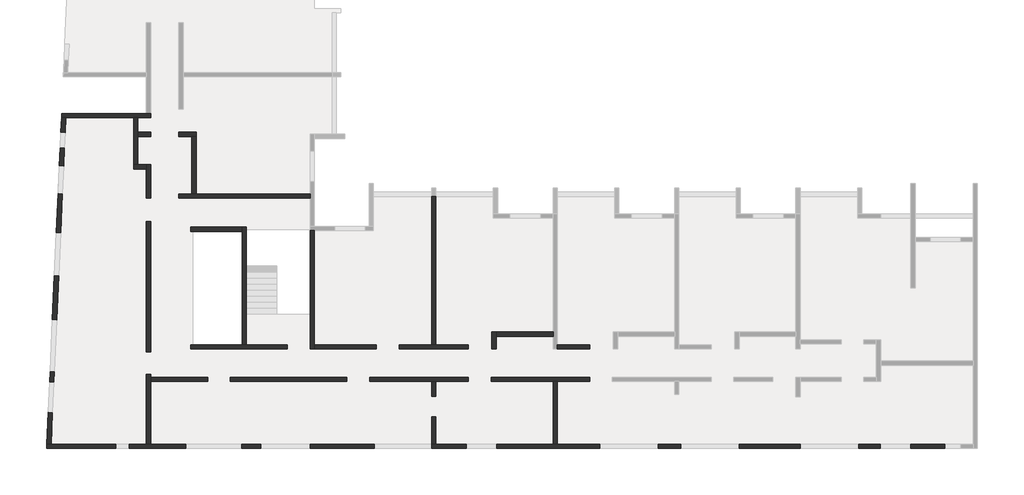
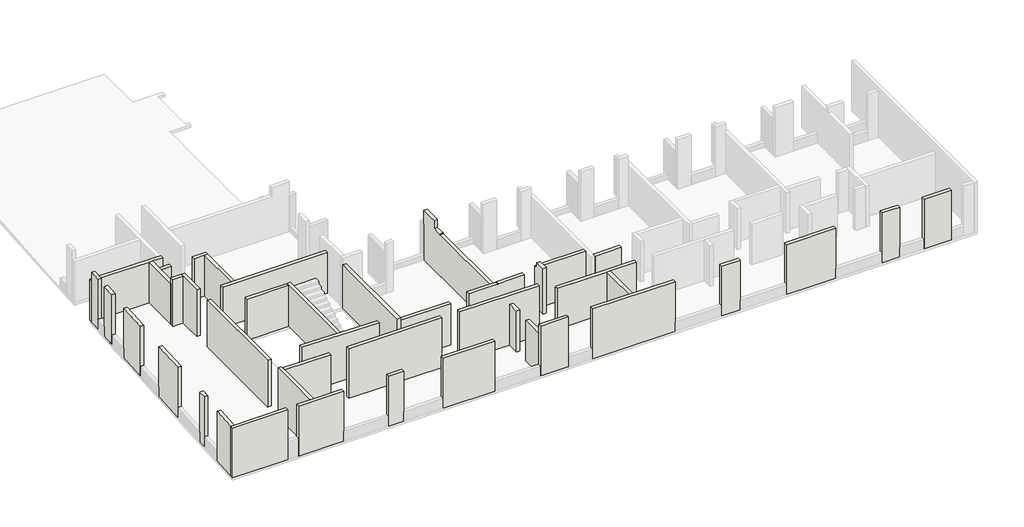
# One storey, part 1 of 4: 43 walls.
"""IFC4 building model written with IfcOpenShell, lengths in millimetres."""

from ifc_helpers import new_model, si_unit, frame, origin, place, context, project, spatial, polyline, outline, extrude, faceted_brep, element, save

model = new_model("IFC4")

# Units and contexts
model_context = context("Model", 3, world=origin())
ifc_project = project(units=[si_unit("LENGTHUNIT", "METRE", prefix="MILLI")], contexts=[model_context])

# Site, building, storey
site = spatial("IfcSite", under=ifc_project)
building = spatial("IfcBuilding", under=site)
storey = spatial("IfcBuildingStorey", under=building, Elevation=19880.0)

# Walls
placement = place(None, origin())
element("IfcWall", 1, ObjectType="MHA20", at=placement, inside=storey, context=model_context, shape_type="SweptSolid", body=[
    extrude(outline(polyline([(-17685.6912908, -13279.0672499), (-17685.6912908, -16219.0672499), (-17885.6912908, -16219.0672499), (-17885.6912908, -13279.0672499), (-17685.6912908, -13279.0672499)])), frame((0.0, 0.0, 19880.0), z_axis=(0.0, 0.0, 1.0), x_axis=(1.0, 0.0, 0.0)), (0.0, 0.0, 1.0), 2530.0),
])
element("IfcWall", 2, ObjectType="MHA20", at=placement, inside=storey, context=model_context, shape_type="SweptSolid", body=[
    extrude(outline(polyline([(-23375.6912908, -14929.0672499), (-23375.6912908, -16219.0672499), (-23575.6912908, -16219.0672499), (-23575.6912908, -14929.0672499), (-23375.6912908, -14929.0672499)])), frame((0.0, 0.0, 19880.0), z_axis=(0.0, 0.0, 1.0), x_axis=(1.0, 0.0, 0.0)), (0.0, 0.0, 1.0), 2530.0),
])
element("IfcWall", 3, ObjectType="MHA20", at=placement, inside=storey, context=model_context, shape_type="Brep", body=[
    faceted_brep([(-23575.6912908, -4599.0672499, 19880.0), (-23575.6912908, -11559.0672499, 19880.0), (-23575.6912908, -11559.0672499, 22410.0), (-23575.6912908, -6204.0672499, 22410.0), (-23575.6912908, -6204.0672499, 22460.0), (-23575.6912908, -6004.0672499, 22460.0), (-23575.6912908, -5619.0672499, 22460.0), (-23575.6912908, -5619.0672499, 22945.0), (-23575.6912908, -4599.0672499, 22954.4444444), (-23575.6912908, -4599.0672499, 22110.0), (-23375.6912908, -4599.0672499, 19880.0), (-23375.6912908, -4599.0672499, 22110.0), (-23375.6912908, -4599.0672499, 22954.4444444), (-23375.6912908, -5619.0672499, 22945.0), (-23375.6912908, -5619.0672499, 22795.0), (-23375.6912908, -5619.0672499, 22460.0), (-23375.6912908, -6004.0672499, 22460.0), (-23375.6912908, -6204.0672499, 22460.0), (-23375.6912908, -6204.0672499, 22410.0), (-23375.6912908, -11559.0672499, 22410.0), (-23375.6912908, -11559.0672499, 19880.0)], [[[0, 1, 2, 3, 4, 5, 6, 7, 8, 9]], [[10, 11, 12, 13, 14, 15, 16, 17, 18, 19, 20]], [[2, 1, 20, 19]], [[1, 0, 10, 20]], [[3, 2, 19, 18]], [[0, 9, 8, 12, 11, 10]], [[7, 6, 15, 14, 13]], [[8, 7, 13, 12]], [[4, 3, 18, 17]], [[6, 5, 4, 17, 16, 15]]]),
])
element("IfcWall", 4, ObjectType="MHA20", at=placement, inside=storey, context=model_context, shape_type="Brep", body=[
    faceted_brep([(-36735.6912908, -16219.0672499, 19880.0), (-36735.6912908, -13279.0672499, 19880.0), (-36735.6912908, -13079.0672499, 19880.0), (-36735.6912908, -12949.0672499, 19880.0), (-36735.6912908, -12949.0672499, 22960.0), (-36735.6912908, -13079.0672499, 22960.0), (-36735.6912908, -13279.0672499, 22960.0), (-36735.6912908, -16219.0672499, 22960.0), (-36935.6912908, -16219.0672499, 19880.0), (-36935.6912908, -16219.0672499, 22960.0), (-36935.6912908, -12949.0672499, 22960.0), (-36935.6912908, -12949.0672499, 19880.0)], [[[0, 1, 2, 3, 4, 5, 6, 7]], [[8, 9, 10, 11]], [[3, 2, 1, 0, 8, 11]], [[4, 3, 11, 10]], [[7, 6, 5, 4, 10, 9]], [[0, 7, 9, 8]]]),
])
element("IfcWall", 5, ObjectType="MHA20", at=placement, inside=storey, context=model_context, shape_type="SweptSolid", body=[
    extrude(outline(polyline([(-32995.6912908, -13079.0672499), (-27540.6912908, -13079.0672499), (-27540.6912908, -13279.0672499), (-32995.6912908, -13279.0672499), (-32995.6912908, -13079.0672499)])), frame((0.0, 0.0, 19880.0), z_axis=(0.0, 0.0, 1.0), x_axis=(1.0, 0.0, 0.0)), (0.0, 0.0, 1.0), 3080.0),
])
element("IfcWall", 6, ObjectType="MHA20", at=placement, inside=storey, context=model_context, shape_type="Brep", body=[
    faceted_brep([(-20550.6912908, -11759.0672499, 19880.0), (-20550.6912908, -11159.0672499, 19880.0), (-20550.6912908, -10959.0672499, 19880.0), (-20550.6912908, -10959.0672499, 22410.0), (-20550.6912908, -11159.0672499, 22410.0), (-20550.6912908, -11159.0672499, 22710.0), (-20550.6912908, -11759.0672499, 22710.0), (-20750.6912908, -11759.0672499, 19880.0), (-20750.6912908, -11759.0672499, 22710.0), (-20750.6912908, -11159.0672499, 22710.0), (-20750.6912908, -11159.0672499, 22410.0), (-20750.6912908, -10959.0672499, 22410.0), (-20750.6912908, -10959.0672499, 19880.0)], [[[0, 1, 2, 3, 4, 5, 6]], [[7, 8, 9, 10, 11, 12]], [[2, 1, 0, 7, 12]], [[6, 5, 9, 8]], [[0, 6, 8, 7]], [[10, 4, 3, 11]], [[3, 2, 12, 11]], [[5, 4, 10, 9]]]),
])
element("IfcWall", 7, ObjectType="MHA20", at=placement, inside=storey, context=model_context, shape_type="SweptSolid", body=[
    extrude(outline(polyline([(-17885.6912908, -11159.0672499), (-20550.6912908, -11159.0672499), (-20550.6912908, -10959.0672499), (-17885.6912908, -10959.0672499), (-17885.6912908, -11159.0672499)])), frame((0.0, 0.0, 19880.0), z_axis=(0.0, 0.0, 1.0), x_axis=(1.0, 0.0, 0.0)), (0.0, 0.0, 1.0), 2530.0),
])
element("IfcWall", 8, ObjectType="MHA20", at=placement, inside=storey, context=model_context, shape_type="SweptSolid", body=[
    extrude(outline(polyline([(-17685.6912908, -11559.0672499), (-16160.6912908, -11559.0672499), (-16160.6912908, -11759.0672499), (-17685.6912908, -11759.0672499), (-17685.6912908, -11559.0672499)])), frame((0.0, 0.0, 19880.0), z_axis=(0.0, 0.0, 1.0), x_axis=(1.0, 0.0, 0.0)), (0.0, 0.0, 1.0), 2530.0),
])
element("IfcWall", 9, ObjectType="MHA20", at=placement, inside=storey, context=model_context, shape_type="Brep", body=[
    faceted_brep([(-21850.6912908, -11559.0672499, 19880.0), (-23375.6912908, -11559.0672499, 19880.0), (-23575.6912908, -11559.0672499, 19880.0), (-25095.6912908, -11559.0672499, 19880.0), (-25095.6912908, -11559.0672499, 22673.4), (-23675.6899802, -11559.0672499, 22658.3234429), (-23375.6912908, -11559.0672499, 22655.1382716), (-23375.6912908, -11559.0672499, 22658.2), (-23375.6912908, -11559.0672499, 22684.6884615), (-21850.6912908, -11559.0672499, 22699.0), (-21850.6912908, -11759.0672499, 19880.0), (-21850.6912908, -11759.0672499, 22699.0), (-23375.6912908, -11759.0672499, 22684.6884615), (-23375.6912908, -11759.0672499, 22658.2), (-23375.6912908, -11759.0672499, 22655.1382716), (-23675.6899802, -11759.0672499, 22658.3234429), (-25095.6912908, -11759.0672499, 22673.4), (-25095.6912908, -11759.0672499, 19880.0)], [[[0, 1, 2, 3, 4, 5, 6, 7, 8, 9]], [[10, 11, 12, 13, 14, 15, 16, 17]], [[3, 2, 1, 0, 10, 17]], [[4, 3, 17, 16]], [[0, 9, 11, 10]], [[6, 5, 4, 16, 15, 14]], [[9, 8, 12, 11]], [[8, 7, 6, 14, 13, 12]]]),
])
element("IfcWall", 10, ObjectType="MHA20", at=placement, inside=storey, context=model_context, shape_type="Brep", body=[
    faceted_brep([(-29065.6912908, -11759.0672499, 19880.0), (-29065.6912908, -11559.0672499, 19880.0), (-29065.6912908, -6204.0672499, 19880.0), (-29065.6912908, -6204.0672499, 22563.0925002), (-29065.6912908, -11759.0672499, 22563.0925002), (-29065.6912908, -11759.0672499, 22410.0), (-29265.6912908, -11759.0672499, 19880.0), (-29265.6912908, -11759.0672499, 22565.0925002), (-29265.6912908, -6204.0672499, 22565.0925002), (-29265.6912908, -6204.0672499, 19880.0)], [[[0, 1, 2, 3, 4, 5]], [[6, 7, 8, 9]], [[2, 1, 0, 6, 9]], [[0, 5, 4, 7, 6]], [[3, 2, 9, 8]], [[4, 3, 8, 7]]]),
])
element("IfcWall", 11, ObjectType="MHA20", at=placement, inside=storey, context=model_context, shape_type="Brep", body=[
    faceted_brep([(-35405.6912908, -4689.0672499, 19880.0), (-29265.6912908, -4689.0672499, 19880.0), (-29265.6912908, -4689.0672499, 22410.0), (-35405.6912908, -4689.0672499, 22410.0), (-35405.6912908, -4489.0672499, 19880.0), (-35405.6912908, -4489.0672499, 22410.0), (-34805.6912908, -4489.0672499, 22410.0), (-34605.6912908, -4489.0672499, 22410.0), (-29265.6912908, -4489.0672499, 22410.0), (-29265.6912908, -4489.0672499, 19880.0), (-34605.6912908, -4489.0672499, 19880.0), (-34805.6912908, -4489.0672499, 19880.0)], [[[0, 1, 2, 3]], [[4, 5, 6, 7, 8, 9, 10, 11]], [[1, 0, 4, 11, 10, 9]], [[3, 2, 8, 7, 6, 5]], [[0, 3, 5, 4]], [[2, 1, 9, 8]]]),
])
element("IfcWall", 12, ObjectType="MHA20", at=placement, inside=storey, context=model_context, shape_type="SweptSolid", body=[
    extrude(outline(polyline([(-26155.6912908, -11759.0672499), (-29065.6912908, -11759.0672499), (-29065.6912908, -11559.0672499), (-26155.6912908, -11559.0672499), (-26155.6912908, -11759.0672499)])), frame((0.0, 0.0, 19880.0), z_axis=(0.0, 0.0, 1.0), x_axis=(1.0, 0.0, 0.0)), (0.0, 0.0, 1.0), 2530.0),
])
element("IfcWall", 13, ObjectType="MHA20", at=placement, inside=storey, context=model_context, shape_type="Brep", body=[
    faceted_brep([(-32245.6912908, -11559.0672499, 19880.0), (-32245.6912908, -6044.0672499, 19880.0), (-32245.6912908, -6044.0672499, 22410.0), (-32245.6912908, -11559.0672499, 22410.0), (-32445.6912908, -11559.0672499, 19880.0), (-32445.6912908, -11559.0672499, 22410.0), (-32445.6912908, -6244.0672499, 22410.0), (-32445.6912908, -6044.0672499, 22410.0), (-32445.6912908, -6044.0672499, 19880.0), (-32445.6912908, -6244.0672499, 19880.0)], [[[0, 1, 2, 3]], [[4, 5, 6, 7, 8, 9]], [[1, 0, 4, 9, 8]], [[3, 2, 7, 6, 5]], [[0, 3, 5, 4]], [[2, 1, 8, 7]]]),
])
element("IfcWall", 14, ObjectType="MHA20", at=placement, inside=storey, context=model_context, shape_type="Brep", body=[
    faceted_brep([(-34865.6912908, -11759.0672499, 19880.0), (-30340.6912908, -11759.0672499, 19880.0), (-30340.6912908, -11759.0672499, 22725.85), (-34865.6912908, -11759.0672499, 22771.1), (-34865.6912908, -11559.0672499, 19880.0), (-34865.6912908, -11559.0672499, 22771.1), (-30340.6912908, -11559.0672499, 22725.85), (-30340.6912908, -11559.0672499, 19880.0), (-32245.6912908, -11559.0672499, 19880.0), (-32445.6912908, -11559.0672499, 19880.0)], [[[0, 1, 2, 3]], [[4, 5, 6, 7, 8, 9]], [[1, 0, 4, 9, 8, 7]], [[2, 1, 7, 6]], [[0, 3, 5, 4]], [[3, 2, 6, 5]]]),
])
element("IfcWall", 15, ObjectType="MHA20", at=placement, inside=storey, context=model_context, shape_type="SweptSolid", body=[
    extrude(outline(polyline([(-32445.6912908, -6244.0672499), (-34865.6912908, -6244.0672499), (-34865.6912908, -6044.0672499), (-32445.6912908, -6044.0672499), (-32445.6912908, -6244.0672499)])), frame((0.0, 0.0, 19880.0), z_axis=(0.0, 0.0, 1.0), x_axis=(1.0, 0.0, 0.0)), (0.0, 0.0, 1.0), 2530.0),
])
element("IfcWall", 16, ObjectType="MHA20", at=placement, inside=storey, context=model_context, shape_type="SweptSolid", body=[
    extrude(outline(polyline([(-36735.6912908, -5774.0672499), (-36735.6912908, -11889.0672499), (-36935.6912908, -11889.0672499), (-36935.6912908, -5774.0672499), (-36735.6912908, -5774.0672499)])), frame((0.0, 0.0, 19880.0), z_axis=(0.0, 0.0, 1.0), x_axis=(1.0, 0.0, 0.0)), (0.0, 0.0, 1.0), 2890.0),
])
element("IfcWall", 17, ObjectType="MHA20", at=placement, inside=storey, context=model_context, shape_type="Brep", body=[
    faceted_brep([(-41609.0481243, -16419.0672499, 19880.0), (-38375.6912908, -16419.0672499, 19880.0), (-38375.6912908, -16419.0672499, 22960.0), (-41609.0481243, -16419.0672499, 22960.0), (-41599.9751419, -16219.0672499, 19880.0), (-41599.9751419, -16219.0672499, 22960.0), (-41399.7694501, -16219.0672499, 22960.0), (-38375.6912908, -16219.0672499, 22960.0), (-38375.6912908, -16219.0672499, 19880.0), (-41399.7694501, -16219.0672499, 19880.0)], [[[0, 1, 2, 3]], [[4, 5, 6, 7, 8, 9]], [[1, 0, 4, 9, 8]], [[2, 1, 8, 7]], [[3, 2, 7, 6, 5]], [[0, 3, 5, 4]]]),
])
element("IfcWall", 18, ObjectType="MHA20", at=placement, inside=storey, context=model_context, shape_type="Brep", body=[
    faceted_brep([(-35405.6912908, -1794.0672499, 19880.0), (-34805.6912908, -1794.0672499, 19880.0), (-34605.6912908, -1794.0672499, 19880.0), (-34605.6912908, -1794.0672499, 22410.0), (-34805.6912908, -1794.0672499, 22410.0), (-35405.6912908, -1794.0672499, 22410.0), (-35405.6912908, -1594.0672499, 19880.0), (-35405.6912908, -1594.0672499, 22410.0), (-34605.6912908, -1594.0672499, 22410.0), (-34605.6912908, -1594.0672499, 19880.0)], [[[0, 1, 2, 3, 4, 5]], [[6, 7, 8, 9]], [[2, 1, 0, 6, 9]], [[5, 4, 3, 8, 7]], [[0, 5, 7, 6]], [[3, 2, 9, 8]]]),
])
element("IfcWall", 19, ObjectType="MHA20", at=placement, inside=storey, context=model_context, shape_type="SweptSolid", body=[
    extrude(outline(polyline([(-34605.6912908, -1794.0672499), (-34605.6912908, -4489.0672499), (-34805.6912908, -4489.0672499), (-34805.6912908, -1794.0672499), (-34605.6912908, -1794.0672499)])), frame((0.0, 0.0, 19880.0), z_axis=(0.0, 0.0, 1.0), x_axis=(1.0, 0.0, 0.0)), (0.0, 0.0, 1.0), 2530.0),
])
element("IfcWall", 20, ObjectType="MHA20", at=placement, inside=storey, context=model_context, shape_type="Brep", body=[
    faceted_brep([(-37335.6912908, -3119.0672499, 19880.0), (-37335.6912908, -1794.0672499, 19880.0), (-37335.6912908, -1594.0672499, 19880.0), (-37335.6912908, -914.0672499, 19880.0), (-37335.6912908, -914.0672499, 22410.0), (-37335.6912908, -1594.0672499, 22410.0), (-37335.6912908, -1794.0672499, 22410.0), (-37335.6912908, -3119.0672499, 22410.0), (-37535.6912908, -3119.0672499, 19880.0), (-37535.6912908, -3119.0672499, 22410.0), (-37535.6912908, -914.0672499, 22410.0), (-37535.6912908, -914.0672499, 19880.0)], [[[0, 1, 2, 3, 4, 5, 6, 7]], [[8, 9, 10, 11]], [[3, 2, 1, 0, 8, 11]], [[7, 6, 5, 4, 10, 9]], [[0, 7, 9, 8]], [[4, 3, 11, 10]]]),
])
element("IfcWall", 21, ObjectType="MHA20", at=placement, inside=storey, context=model_context, shape_type="SweptSolid", body=[
    extrude(outline(polyline([(-37335.6912908, -1594.0672499), (-36735.6912908, -1594.0672499), (-36735.6912908, -1794.0672499), (-37335.6912908, -1794.0672499), (-37335.6912908, -1594.0672499)])), frame((0.0, 0.0, 19880.0), z_axis=(0.0, 0.0, 1.0), x_axis=(1.0, 0.0, 0.0)), (0.0, 0.0, 1.0), 2530.0),
])
element("IfcWall", 22, ObjectType="MHA20", at=placement, inside=storey, context=model_context, shape_type="Brep", body=[
    faceted_brep([(-37535.6912908, -3319.0672499, 19880.0), (-36935.6912908, -3319.0672499, 19880.0), (-36935.6912908, -3319.0672499, 22770.0), (-37535.6912908, -3319.0672499, 22770.0), (-37535.6912908, -3119.0672499, 19880.0), (-37535.6912908, -3119.0672499, 22410.0), (-37535.6912908, -3119.0672499, 22770.0), (-36935.6912908, -3119.0672499, 22770.0), (-36935.6912908, -3119.0672499, 19880.0), (-37335.6912908, -3119.0672499, 19880.0)], [[[0, 1, 2, 3]], [[4, 5, 6, 7, 8, 9]], [[1, 0, 4, 9, 8]], [[3, 2, 7, 6]], [[0, 3, 6, 5, 4]], [[2, 1, 8, 7]]]),
])
element("IfcWall", 23, ObjectType="MHA20", at=placement, inside=storey, context=model_context, shape_type="SweptSolid", body=[
    extrude(outline(polyline([(-23375.6912908, -13279.0672499), (-23375.6912908, -13979.0672499), (-23575.6912908, -13979.0672499), (-23575.6912908, -13279.0672499), (-23375.6912908, -13279.0672499)])), frame((0.0, 0.0, 19880.0), z_axis=(0.0, 0.0, 1.0), x_axis=(1.0, 0.0, 0.0)), (0.0, 0.0, 1.0), 2530.0),
])
element("IfcWall", 24, ObjectType="MHA20", at=placement, inside=storey, context=model_context, shape_type="Brep", body=[
    faceted_brep([(464.3087092, -16219.0672499, 19880.0), (-1125.6912908, -16219.0672499, 19880.0), (-1125.6912908, -16219.0672499, 20480.0), (-1125.6912908, -16219.0672499, 22410.0), (-1125.6912908, -16219.0672499, 22960.0), (464.3087092, -16219.0672499, 22960.0), (464.3087092, -16419.0672499, 19880.0), (464.3087092, -16419.0672499, 22960.0), (-1125.6912908, -16419.0672499, 22960.0), (-1125.6912908, -16419.0672499, 22410.0), (-1125.6912908, -16419.0672499, 20480.0), (-1125.6912908, -16419.0672499, 19880.0)], [[[0, 1, 2, 3, 4, 5]], [[6, 7, 8, 9, 10, 11]], [[1, 0, 6, 11]], [[4, 3, 2, 1, 11, 10, 9, 8]], [[5, 4, 8, 7]], [[0, 5, 7, 6]]]),
])
element("IfcWall", 25, ObjectType="MHA20", at=placement, inside=storey, context=model_context, shape_type="Brep", body=[
    faceted_brep([(-2555.6912908, -16219.0672499, 19880.0), (-3570.6912908, -16219.0672499, 19880.0), (-3570.6912908, -16219.0672499, 20480.0), (-3570.6912908, -16219.0672499, 22410.0), (-3570.6912908, -16219.0672499, 22960.0), (-2555.6912908, -16219.0672499, 22960.0), (-2555.6912908, -16219.0672499, 22410.0), (-2555.6912908, -16219.0672499, 20480.0), (-2555.6912908, -16419.0672499, 19880.0), (-2555.6912908, -16419.0672499, 20480.0), (-2555.6912908, -16419.0672499, 22410.0), (-2555.6912908, -16419.0672499, 22960.0), (-3570.6912908, -16419.0672499, 22960.0), (-3570.6912908, -16419.0672499, 22410.0), (-3570.6912908, -16419.0672499, 20480.0), (-3570.6912908, -16419.0672499, 19880.0)], [[[0, 1, 2, 3, 4, 5, 6, 7]], [[8, 9, 10, 11, 12, 13, 14, 15]], [[1, 0, 8, 15]], [[4, 3, 2, 1, 15, 14, 13, 12]], [[5, 4, 12, 11]], [[0, 7, 6, 5, 11, 10, 9, 8]]]),
])
element("IfcWall", 26, ObjectType="MHA20", at=placement, inside=storey, context=model_context, shape_type="Brep", body=[
    faceted_brep([(-6305.6912908, -16219.0672499, 19880.0), (-9155.6912908, -16219.0672499, 19880.0), (-9155.6912908, -16219.0672499, 20480.0), (-9155.6912908, -16219.0672499, 22410.0), (-9155.6912908, -16219.0672499, 22960.0), (-6305.6912908, -16219.0672499, 22960.0), (-6305.6912908, -16219.0672499, 22410.0), (-6305.6912908, -16219.0672499, 20480.0), (-6305.6912908, -16419.0672499, 19880.0), (-6305.6912908, -16419.0672499, 20480.0), (-6305.6912908, -16419.0672499, 22410.0), (-6305.6912908, -16419.0672499, 22960.0), (-9155.6912908, -16419.0672499, 22960.0), (-9155.6912908, -16419.0672499, 22410.0), (-9155.6912908, -16419.0672499, 20480.0), (-9155.6912908, -16419.0672499, 19880.0)], [[[0, 1, 2, 3, 4, 5, 6, 7]], [[8, 9, 10, 11, 12, 13, 14, 15]], [[1, 0, 8, 15]], [[4, 3, 2, 1, 15, 14, 13, 12]], [[5, 4, 12, 11]], [[0, 7, 6, 5, 11, 10, 9, 8]]]),
])
element("IfcWall", 27, ObjectType="MHA20", at=placement, inside=storey, context=model_context, shape_type="Brep", body=[
    faceted_brep([(-20515.6912908, -16419.0672499, 19880.0), (-15705.6912908, -16419.0672499, 19880.0), (-15705.6912908, -16419.0672499, 20480.0), (-15705.6912908, -16419.0672499, 22410.0), (-15705.6912908, -16419.0672499, 22960.0), (-20515.6912908, -16419.0672499, 22960.0), (-20515.6912908, -16219.0672499, 19880.0), (-20515.6912908, -16219.0672499, 22960.0), (-15705.6912908, -16219.0672499, 22960.0), (-15705.6912908, -16219.0672499, 22410.0), (-15705.6912908, -16219.0672499, 20480.0), (-15705.6912908, -16219.0672499, 19880.0), (-17685.6912908, -16219.0672499, 19880.0), (-17885.6912908, -16219.0672499, 19880.0)], [[[0, 1, 2, 3, 4, 5]], [[6, 7, 8, 9, 10, 11, 12, 13]], [[1, 0, 6, 13, 12, 11]], [[4, 3, 2, 1, 11, 10, 9, 8]], [[5, 4, 8, 7]], [[0, 5, 7, 6]]]),
])
element("IfcWall", 28, ObjectType="MHA20", at=placement, inside=storey, context=model_context, shape_type="Brep", body=[
    faceted_brep([(-37735.6912908, -16419.0672499, 19880.0), (-35095.6912908, -16419.0672499, 19880.0), (-35095.6912908, -16419.0672499, 20480.0), (-35095.6912908, -16419.0672499, 22410.0), (-35095.6912908, -16419.0672499, 22960.0), (-37735.6912908, -16419.0672499, 22960.0), (-37735.6912908, -16219.0672499, 19880.0), (-37735.6912908, -16219.0672499, 22960.0), (-36935.6912908, -16219.0672499, 22960.0), (-36735.6912908, -16219.0672499, 22960.0), (-35095.6912908, -16219.0672499, 22960.0), (-35095.6912908, -16219.0672499, 22410.0), (-35095.6912908, -16219.0672499, 20480.0), (-35095.6912908, -16219.0672499, 19880.0), (-36735.6912908, -16219.0672499, 19880.0), (-36935.6912908, -16219.0672499, 19880.0)], [[[0, 1, 2, 3, 4, 5]], [[6, 7, 8, 9, 10, 11, 12, 13, 14, 15]], [[1, 0, 6, 15, 14, 13]], [[4, 3, 2, 1, 13, 12, 11, 10]], [[5, 4, 10, 9, 8, 7]], [[0, 5, 7, 6]]]),
])
element("IfcWall", 29, ObjectType="MHA20", at=placement, inside=storey, context=model_context, shape_type="Brep", body=[
    faceted_brep([(-41532.7054566, -14736.2100849, 19880.0), (-41599.9751419, -16219.0672499, 19880.0), (-41599.9751419, -16219.0672499, 22960.0), (-41532.7054566, -14736.2100849, 22960.0), (-41532.7054566, -14736.2100849, 22410.0), (-41532.7054566, -14736.2100849, 20480.0), (-41332.9109371, -14745.2737458, 19880.0), (-41332.9109371, -14745.2737458, 20480.0), (-41332.9109371, -14745.2737458, 22410.0), (-41332.9109371, -14745.2737458, 22960.0), (-41399.7694501, -16219.0672499, 22960.0), (-41399.7694501, -16219.0672499, 19880.0)], [[[0, 1, 2, 3, 4, 5]], [[6, 7, 8, 9, 10, 11]], [[1, 0, 6, 11]], [[3, 2, 10, 9]], [[0, 5, 4, 3, 9, 8, 7, 6]], [[2, 1, 11, 10]]]),
])
element("IfcWall", 30, ObjectType="MHA20", at=placement, inside=storey, context=model_context, shape_type="Brep", body=[
    faceted_brep([(-41267.6525789, -13306.7532049, 19880.0), (-41246.1263843, -12832.2412209, 19880.0), (-41246.1263843, -12832.2412209, 20480.0), (-41246.1263843, -12832.2412209, 22410.0), (-41246.1263843, -12832.2412209, 22960.0), (-41267.6525789, -13306.7532049, 22960.0), (-41267.6525789, -13306.7532049, 22410.0), (-41267.6525789, -13306.7532049, 20480.0), (-41467.4470985, -13297.689544, 19880.0), (-41467.4470985, -13297.689544, 20480.0), (-41467.4470985, -13297.689544, 22410.0), (-41467.4470985, -13297.689544, 22960.0), (-41445.9209039, -12823.17756, 22960.0), (-41445.9209039, -12823.17756, 22410.0), (-41445.9209039, -12823.17756, 20480.0), (-41445.9209039, -12823.17756, 19880.0)], [[[0, 1, 2, 3, 4, 5, 6, 7]], [[8, 9, 10, 11, 12, 13, 14, 15]], [[1, 0, 8, 15]], [[4, 3, 2, 1, 15, 14, 13, 12]], [[5, 4, 12, 11]], [[0, 7, 6, 5, 11, 10, 9, 8]]]),
])
element("IfcWall", 31, ObjectType="MHA20", at=placement, inside=storey, context=model_context, shape_type="Brep", body=[
    faceted_brep([(-32455.6912908, -16419.0672499, 19880.0), (-31585.6912908, -16419.0672499, 19880.0), (-31585.6912908, -16419.0672499, 20480.0), (-31585.6912908, -16419.0672499, 22410.0), (-31585.6912908, -16419.0672499, 22960.0), (-32455.6912908, -16419.0672499, 22960.0), (-32455.6912908, -16419.0672499, 22410.0), (-32455.6912908, -16419.0672499, 20480.0), (-32455.6912908, -16219.0672499, 19880.0), (-32455.6912908, -16219.0672499, 20480.0), (-32455.6912908, -16219.0672499, 22410.0), (-32455.6912908, -16219.0672499, 22960.0), (-31585.6912908, -16219.0672499, 22960.0), (-31585.6912908, -16219.0672499, 22410.0), (-31585.6912908, -16219.0672499, 20480.0), (-31585.6912908, -16219.0672499, 19880.0)], [[[0, 1, 2, 3, 4, 5, 6, 7]], [[8, 9, 10, 11, 12, 13, 14, 15]], [[1, 0, 8, 15]], [[4, 3, 2, 1, 15, 14, 13, 12]], [[5, 4, 12, 11]], [[0, 7, 6, 5, 11, 10, 9, 8]]]),
])
element("IfcWall", 32, ObjectType="MHA20", at=placement, inside=storey, context=model_context, shape_type="Brep", body=[
    faceted_brep([(-29265.6912908, -16419.0672499, 19880.0), (-26255.6912908, -16419.0672499, 19880.0), (-26255.6912908, -16419.0672499, 22960.0), (-29265.6912908, -16419.0672499, 22960.0), (-29265.6912908, -16419.0672499, 22410.0), (-29265.6912908, -16419.0672499, 20480.0), (-29265.6912908, -16219.0672499, 19880.0), (-29265.6912908, -16219.0672499, 20480.0), (-29265.6912908, -16219.0672499, 22410.0), (-29265.6912908, -16219.0672499, 22960.0), (-26255.6912908, -16219.0672499, 22960.0), (-26255.6912908, -16219.0672499, 19880.0)], [[[0, 1, 2, 3, 4, 5]], [[6, 7, 8, 9, 10, 11]], [[1, 0, 6, 11]], [[2, 1, 11, 10]], [[3, 2, 10, 9]], [[0, 5, 4, 3, 9, 8, 7, 6]]]),
])
element("IfcWall", 33, ObjectType="MHA20", at=placement, inside=storey, context=model_context, shape_type="Brep", body=[
    faceted_brep([(-21955.6912908, -16219.0672499, 19880.0), (-23375.6912908, -16219.0672499, 19880.0), (-23575.6912908, -16219.0672499, 19880.0), (-23575.6912908, -16219.0672499, 22410.0), (-23575.6912908, -16219.0672499, 22960.0), (-21955.6912908, -16219.0672499, 22960.0), (-21955.6912908, -16419.0672499, 19880.0), (-21955.6912908, -16419.0672499, 22960.0), (-23575.6912908, -16419.0672499, 22960.0), (-23575.6912908, -16419.0672499, 19880.0)], [[[0, 1, 2, 3, 4, 5]], [[6, 7, 8, 9]], [[2, 1, 0, 6, 9]], [[5, 4, 8, 7]], [[0, 5, 7, 6]], [[4, 3, 2, 9, 8]]]),
])
element("IfcWall", 34, ObjectType="MHA20", at=placement, inside=storey, context=model_context, shape_type="Brep", body=[
    faceted_brep([(-12965.6912908, -16419.0672499, 19880.0), (-11895.6912908, -16419.0672499, 19880.0), (-11895.6912908, -16419.0672499, 20480.0), (-11895.6912908, -16419.0672499, 22410.0), (-11895.6912908, -16419.0672499, 22960.0), (-12965.6912908, -16419.0672499, 22960.0), (-12965.6912908, -16419.0672499, 22410.0), (-12965.6912908, -16419.0672499, 20480.0), (-12965.6912908, -16219.0672499, 19880.0), (-12965.6912908, -16219.0672499, 20480.0), (-12965.6912908, -16219.0672499, 22410.0), (-12965.6912908, -16219.0672499, 22960.0), (-11895.6912908, -16219.0672499, 22960.0), (-11895.6912908, -16219.0672499, 22410.0), (-11895.6912908, -16219.0672499, 20480.0), (-11895.6912908, -16219.0672499, 19880.0)], [[[0, 1, 2, 3, 4, 5, 6, 7]], [[8, 9, 10, 11, 12, 13, 14, 15]], [[1, 0, 8, 15]], [[4, 3, 2, 1, 15, 14, 13, 12]], [[5, 4, 12, 11]], [[0, 7, 6, 5, 11, 10, 9, 8]]]),
])
element("IfcWall", 35, ObjectType="MHA20", at=placement, inside=storey, context=model_context, shape_type="Brep", body=[
    faceted_brep([(-40905.6651591, -914.0672499, 19880.0), (-40705.4594674, -914.0672499, 19880.0), (-37535.6912908, -914.0672499, 19880.0), (-37335.6912908, -914.0672499, 19880.0), (-36735.6912908, -914.0672499, 19880.0), (-36735.6912908, -914.0672499, 22410.0), (-37335.6912908, -914.0672499, 22410.0), (-37535.6912908, -914.0672499, 22410.0), (-40705.4594674, -914.0672499, 22410.0), (-40905.6651591, -914.0672499, 22410.0), (-40896.5921767, -714.0672499, 19880.0), (-40896.5921767, -714.0672499, 22410.0), (-40696.3864849, -714.0672499, 22410.0), (-36935.6912908, -714.0672499, 22410.0), (-36735.6912908, -714.0672499, 22410.0), (-36735.6912908, -714.0672499, 19880.0), (-36935.6912908, -714.0672499, 19880.0)], [[[0, 1, 2, 3, 4, 5, 6, 7, 8, 9]], [[10, 11, 12, 13, 14, 15, 16]], [[4, 3, 2, 1, 0, 10, 16, 15]], [[9, 8, 7, 6, 5, 14, 13, 12, 11]], [[0, 9, 11, 10]], [[5, 4, 15, 14]]]),
])
element("IfcWall", 36, ObjectType="MHA20", at=placement, inside=storey, context=model_context, shape_type="Brep", body=[
    faceted_brep([(-40736.7034311, -1602.7925697, 19880.0), (-40705.4594674, -914.0672499, 19880.0), (-40705.4594674, -914.0672499, 22410.0), (-40705.4594674, -914.0672499, 22960.0), (-40736.7034311, -1602.7925697, 22960.0), (-40736.7034311, -1602.7925697, 22410.0), (-40736.7034311, -1602.7925697, 20480.0), (-40936.4979507, -1593.7289088, 19880.0), (-40936.4979507, -1593.7289088, 20480.0), (-40936.4979507, -1593.7289088, 22410.0), (-40936.4979507, -1593.7289088, 22960.0), (-40905.6651591, -914.0672499, 22960.0), (-40905.6651591, -914.0672499, 22410.0), (-40905.6651591, -914.0672499, 19880.0)], [[[0, 1, 2, 3, 4, 5, 6]], [[7, 8, 9, 10, 11, 12, 13]], [[1, 0, 7, 13]], [[4, 3, 11, 10]], [[0, 6, 5, 4, 10, 9, 8, 7]], [[3, 2, 1, 13, 12, 11]]]),
])
element("IfcWall", 37, ObjectType="MHA20", at=placement, inside=storey, context=model_context, shape_type="Brep", body=[
    faceted_brep([(-40970.0334959, -2332.9686312, 19880.0), (-41007.6476884, -3162.1158875, 19880.0), (-41007.6476884, -3162.1158875, 22410.0), (-41007.6476884, -3162.1158875, 22960.0), (-40970.0334959, -2332.9686312, 22960.0), (-40970.0334959, -2332.9686312, 22410.0), (-40970.0334959, -2332.9686312, 20480.0), (-40770.2389763, -2342.0322921, 19880.0), (-40770.2389763, -2342.0322921, 20480.0), (-40770.2389763, -2342.0322921, 22410.0), (-40770.2389763, -2342.0322921, 22960.0), (-40807.8531689, -3171.1795483, 22960.0), (-40807.8531689, -3171.1795483, 22410.0), (-40807.8531689, -3171.1795483, 19880.0)], [[[0, 1, 2, 3, 4, 5, 6]], [[7, 8, 9, 10, 11, 12, 13]], [[1, 0, 7, 13]], [[3, 2, 1, 13, 12, 11]], [[4, 3, 11, 10]], [[0, 6, 5, 4, 10, 9, 8, 7]]]),
])
element("IfcWall", 38, ObjectType="MHA20", at=placement, inside=storey, context=model_context, shape_type="Brep", body=[
    faceted_brep([(-41241.7167301, -8321.8093555, 19880.0), (-41334.8458454, -10374.6980441, 19880.0), (-41334.8458454, -10374.6980441, 20480.0), (-41334.8458454, -10374.6980441, 22410.0), (-41334.8458454, -10374.6980441, 22960.0), (-41241.7167301, -8321.8093555, 22960.0), (-41241.7167301, -8321.8093555, 22410.0), (-41241.7167301, -8321.8093555, 20480.0), (-41041.9222105, -8330.8730163, 19880.0), (-41041.9222105, -8330.8730163, 20480.0), (-41041.9222105, -8330.8730163, 22410.0), (-41041.9222105, -8330.8730163, 22960.0), (-41135.0513258, -10383.7617049, 22960.0), (-41135.0513258, -10383.7617049, 22410.0), (-41135.0513258, -10383.7617049, 20480.0), (-41135.0513258, -10383.7617049, 19880.0)], [[[0, 1, 2, 3, 4, 5, 6, 7]], [[8, 9, 10, 11, 12, 13, 14, 15]], [[1, 0, 8, 15]], [[4, 3, 2, 1, 15, 14, 13, 12]], [[5, 4, 12, 11]], [[0, 7, 6, 5, 11, 10, 9, 8]]]),
])
element("IfcWall", 39, ObjectType="MHA20", at=placement, inside=storey, context=model_context, shape_type="SweptSolid", body=[
    extrude(outline(polyline([(-36735.6912908, -13079.0672499), (-34055.6912908, -13079.0672499), (-34055.6912908, -13279.0672499), (-36735.6912908, -13279.0672499), (-36735.6912908, -13079.0672499)])), frame((0.0, 0.0, 19880.0), z_axis=(0.0, 0.0, 1.0), x_axis=(1.0, 0.0, 0.0)), (0.0, 0.0, 1.0), 3080.0),
])
element("IfcWall", 40, ObjectType="MHA20", at=placement, inside=storey, context=model_context, shape_type="Brep", body=[
    faceted_brep([(-26480.6912908, -13079.0672499, 22960.0), (-21850.6912908, -13079.0672499, 22960.0), (-21850.6912908, -13079.0672499, 22410.0), (-21850.6912908, -13079.0672499, 19880.0), (-26480.6912908, -13079.0672499, 19880.0), (-26480.6912908, -13279.0672499, 22960.0), (-26480.6912908, -13279.0672499, 19880.0), (-23575.6912908, -13279.0672499, 19880.0), (-23375.6912908, -13279.0672499, 19880.0), (-21850.6912908, -13279.0672499, 19880.0), (-21850.6912908, -13279.0672499, 22410.0), (-21850.6912908, -13279.0672499, 22960.0)], [[[0, 1, 2, 3, 4]], [[5, 6, 7, 8, 9, 10, 11]], [[1, 0, 5, 11]], [[4, 3, 9, 8, 7, 6]], [[3, 2, 1, 11, 10, 9]], [[0, 4, 6, 5]]]),
])
element("IfcWall", 41, ObjectType="MHA20", at=placement, inside=storey, context=model_context, shape_type="Brep", body=[
    faceted_brep([(-16160.6912908, -13079.0672499, 22410.0), (-16160.6912908, -13079.0672499, 19880.0), (-20790.6912908, -13079.0672499, 19880.0), (-20790.6912908, -13079.0672499, 22410.0), (-20750.6912908, -13079.0672499, 22410.0), (-16160.6912908, -13279.0672499, 22410.0), (-17685.6912908, -13279.0672499, 22410.0), (-17885.6912908, -13279.0672499, 22410.0), (-20750.6912908, -13279.0672499, 22410.0), (-20790.6912908, -13279.0672499, 22410.0), (-20790.6912908, -13279.0672499, 19880.0), (-17885.6912908, -13279.0672499, 19880.0), (-17685.6912908, -13279.0672499, 19880.0), (-16160.6912908, -13279.0672499, 19880.0)], [[[0, 1, 2, 3, 4]], [[5, 6, 7, 8, 9, 10, 11, 12, 13]], [[3, 2, 10, 9]], [[2, 1, 13, 12, 11, 10]], [[1, 0, 5, 13]], [[0, 4, 3, 9, 8, 7, 6, 5]]]),
])
element("IfcWall", 42, ObjectType="MHA20", at=placement, inside=storey, context=model_context, shape_type="Brep", body=[
    faceted_brep([(-41067.2412586, -4475.7648537, 19880.0), (-41149.2673893, -6283.9052558, 19880.0), (-41149.2673893, -6283.9052558, 20480.0), (-41149.2673893, -6283.9052558, 22410.0), (-41149.2673893, -6283.9052558, 22960.0), (-41067.2412586, -4475.7648537, 22960.0), (-41067.2412586, -4475.7648537, 22410.0), (-40867.446739, -4484.8285145, 19880.0), (-40867.446739, -4484.8285145, 22410.0), (-40867.446739, -4484.8285145, 22960.0), (-40949.4728698, -6292.9689167, 22960.0), (-40949.4728698, -6292.9689167, 22410.0), (-40949.4728698, -6292.9689167, 20480.0), (-40949.4728698, -6292.9689167, 19880.0)], [[[0, 1, 2, 3, 4, 5, 6]], [[7, 8, 9, 10, 11, 12, 13]], [[1, 0, 7, 13]], [[4, 3, 2, 1, 13, 12, 11, 10]], [[5, 4, 10, 9]], [[0, 6, 5, 9, 8, 7]]]),
])
element("IfcWall", 43, ObjectType="MHA20", at=placement, inside=storey, context=model_context, shape_type="Brep", body=[
    faceted_brep([(-36735.6912908, -4689.0672499, 19880.0), (-36735.6912908, -3119.0672499, 19880.0), (-36735.6912908, -3119.0672499, 22770.0), (-36735.6912908, -4689.0672499, 22770.0), (-36935.6912908, -4689.0672499, 19880.0), (-36935.6912908, -4689.0672499, 22770.0), (-36935.6912908, -3319.0672499, 22770.0), (-36935.6912908, -3119.0672499, 22770.0), (-36935.6912908, -3119.0672499, 19880.0), (-36935.6912908, -3319.0672499, 19880.0)], [[[0, 1, 2, 3]], [[4, 5, 6, 7, 8, 9]], [[1, 0, 4, 9, 8]], [[3, 2, 7, 6, 5]], [[0, 3, 5, 4]], [[2, 1, 8, 7]]]),
])

save(model, "model.ifc")
